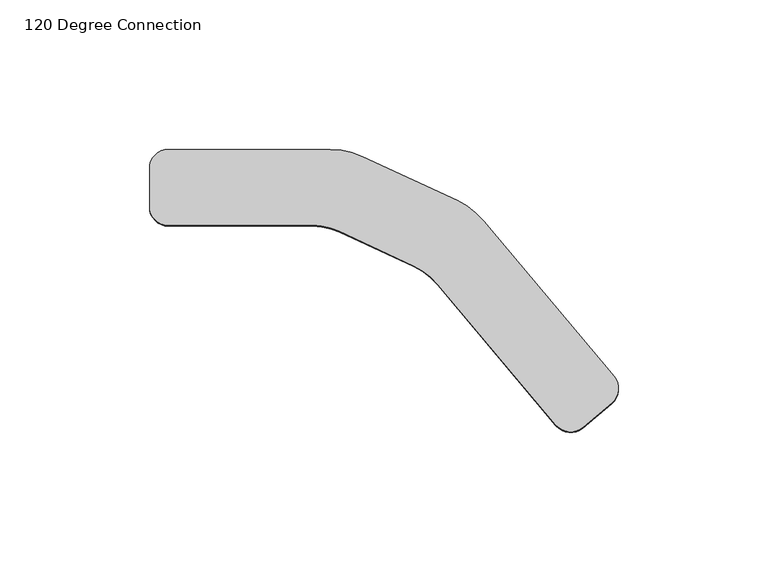
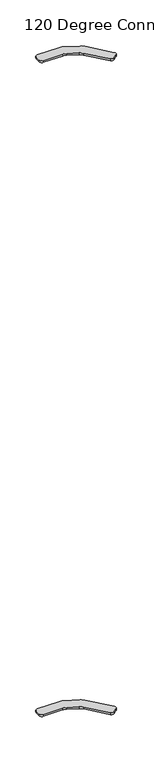
"""IFC4 building model written with IfcOpenShell, lengths in millimetres: furniture geometry, 120 Degree Connection."""

from ifc_helpers import new_model, si_unit, point, frame, frame_2d, origin, place, context, project, spatial, polyline, circle_curve, trimmed, segment, composite_curve, outline, extrude, source, transform, mapped, element, save


def furniture_120_degree_connection_18496cca(model_context):
    return source(origin(), model_context, "Body", "SweptSolid", [
        extrude(outline(composite_curve([segment(trimmed(circle_curve(frame_2d((-59.563, -44.45)), 6.35), [point((-59.563, -50.8))], [point((-65.913, -44.45))], False, "CARTESIAN"), True, "CONTINUOUS"), segment(polyline([(-65.913, -44.45), (-65.913, -31.75)]), True, "CONTINUOUS"), segment(trimmed(circle_curve(frame_2d((-59.563, -31.75)), 6.35), [point((-65.913, -31.75))], [point((-59.563, -25.4))], False, "CARTESIAN"), True, "CONTINUOUS"), segment(polyline([(-59.563, -25.4), (-5.4557844, -25.4)]), True, "CONTINUOUS"), segment(trimmed(circle_curve(frame_2d((-5.4557844, -50.8)), 25.4), [point((-5.4557844, -25.4))], [point((5.2787194, -27.7797822))], False, "CARTESIAN"), True, "CONTINUOUS"), segment(polyline([(5.2787194, -27.7797822), (37.0704484, -42.6045089)]), True, "CONTINUOUS"), segment(trimmed(circle_curve(frame_2d((26.3359446, -65.6247267)), 25.4), [point((37.0704484, -42.6045089))], [point((45.7934734, -49.2979214))], False, "CARTESIAN"), True, "CONTINUOUS"), segment(polyline([(45.7934734, -49.2979214), (89.4281637, -101.2997203)]), True, "CONTINUOUS"), segment(trimmed(circle_curve(frame_2d((84.5637814, -105.3814216)), 6.35), [point((89.4281637, -101.2997203))], [point((88.6454828, -110.2458038))], False, "CARTESIAN"), True, "CONTINUOUS"), segment(polyline([(88.6454828, -110.2458038), (78.9167183, -118.4092064)]), True, "CONTINUOUS"), segment(trimmed(circle_curve(frame_2d((74.835017, -113.5448242)), 6.35), [point((78.9167183, -118.4092064))], [point((69.9706348, -117.6265255))], False, "CARTESIAN"), True, "CONTINUOUS"), segment(polyline([(69.9706348, -117.6265255), (30.4558856, -70.5346812)]), True, "CONTINUOUS"), segment(trimmed(circle_curve(frame_2d((12.509687, -85.5933298)), 23.4270985), [point((30.4558856, -70.5346812))], [point((22.4104066, -64.361168))], True, "CARTESIAN"), True, "CONTINUOUS"), segment(polyline([(22.4104066, -64.361168), (-2.4091355, -52.7876255)]), True, "CONTINUOUS"), segment(trimmed(circle_curve(frame_2d((-11.3747347, -72.014415)), 21.214415), [point((-2.4091355, -52.7876255))], [point((-11.3747347, -50.8))], True, "CARTESIAN"), True, "CONTINUOUS"), segment(polyline([(-11.3747347, -50.8), (-59.563, -50.8)]), True, "CONTINUOUS")], self_intersect=False)), frame((0.0, 0.0, 1738.4522), z_axis=(0.0, 0.0, 1.0), x_axis=(1.0, 0.0, 0.0)), (0.0, 0.0, 1.0), 4.5466),
        extrude(outline(composite_curve([segment(polyline([(-65.913, -44.45), (-65.913, -31.75)]), True, "CONTINUOUS"), segment(trimmed(circle_curve(frame_2d((-59.563, -31.75)), 6.35), [point((-65.913, -31.75))], [point((-59.563, -25.4))], False, "CARTESIAN"), True, "CONTINUOUS"), segment(polyline([(-59.563, -25.4), (-5.4557844, -25.4)]), True, "CONTINUOUS"), segment(trimmed(circle_curve(frame_2d((-5.4557844, -50.8)), 25.4), [point((-5.4557844, -25.4))], [point((5.2787194, -27.7797822))], False, "CARTESIAN"), True, "CONTINUOUS"), segment(polyline([(5.2787194, -27.7797822), (37.0704484, -42.6045089)]), True, "CONTINUOUS"), segment(trimmed(circle_curve(frame_2d((26.3359446, -65.6247267)), 25.4), [point((37.0704484, -42.6045089))], [point((45.7934734, -49.2979214))], False, "CARTESIAN"), True, "CONTINUOUS"), segment(polyline([(45.7934734, -49.2979214), (89.4281637, -101.2997203)]), True, "CONTINUOUS"), segment(trimmed(circle_curve(frame_2d((84.5637814, -105.3814216)), 6.35), [point((89.4281637, -101.2997203))], [point((88.6454828, -110.2458038))], False, "CARTESIAN"), True, "CONTINUOUS"), segment(polyline([(88.6454828, -110.2458038), (78.9167183, -118.4092064)]), True, "CONTINUOUS"), segment(trimmed(circle_curve(frame_2d((74.835017, -113.5448242)), 6.35), [point((78.9167183, -118.4092064))], [point((69.9706348, -117.6265255))], False, "CARTESIAN"), True, "CONTINUOUS"), segment(polyline([(69.9706348, -117.6265255), (30.4558856, -70.5346812)]), True, "CONTINUOUS"), segment(trimmed(circle_curve(frame_2d((12.509687, -85.5933298)), 23.4270985), [point((30.4558856, -70.5346812))], [point((22.4104066, -64.361168))], True, "CARTESIAN"), True, "CONTINUOUS"), segment(polyline([(22.4104066, -64.361168), (-2.4091355, -52.7876255)]), True, "CONTINUOUS"), segment(trimmed(circle_curve(frame_2d((-11.3747347, -72.014415)), 21.214415), [point((-2.4091355, -52.7876255))], [point((-11.3747347, -50.8))], True, "CARTESIAN"), True, "CONTINUOUS"), segment(polyline([(-11.3747347, -50.8), (-59.563, -50.8)]), True, "CONTINUOUS"), segment(trimmed(circle_curve(frame_2d((-59.563, -44.45)), 6.35), [point((-59.563, -50.8))], [point((-65.913, -44.45))], False, "CARTESIAN"), True, "CONTINUOUS")], self_intersect=False)), frame((0.0, 0.0, 12.7), z_axis=(0.0, 0.0, 1.0), x_axis=(1.0, 0.0, 0.0)), (0.0, 0.0, 1.0), 4.5466),
    ])


if __name__ == "__main__":
    model = new_model("IFC4")
    model_context = context("Model", 3, world=origin())
    ifc_project = project(units=[si_unit("LENGTHUNIT", "METRE", prefix="MILLI")], contexts=[model_context])
    site = spatial("IfcSite", under=ifc_project)
    building = spatial("IfcBuilding", under=site)
    placement = place(None, origin())
    furniture_120_degree_connection_shape = furniture_120_degree_connection_18496cca(model_context)
    element("IfcFurniture", 1, ObjectType="120 Degree Connection", at=placement, inside=building, context=model_context, shape_type="MappedRepresentation", body=[
        mapped(furniture_120_degree_connection_shape, transform((0.0, 0.0, 0.0), x_axis=(1.0, 0.0, 0.0), y_axis=(0.0, 1.0, 0.0), z_axis=(0.0, 0.0, 1.0))),
    ])
    save(model, "model.ifc")
